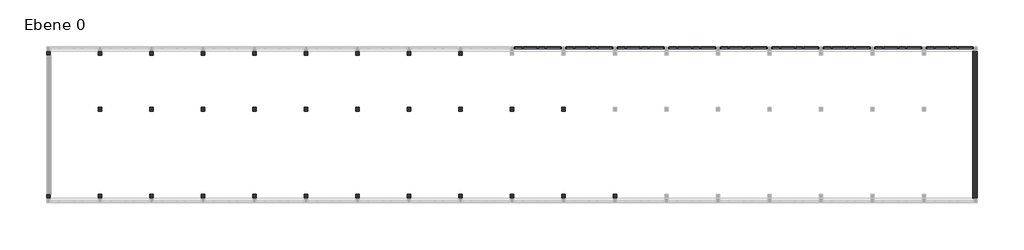
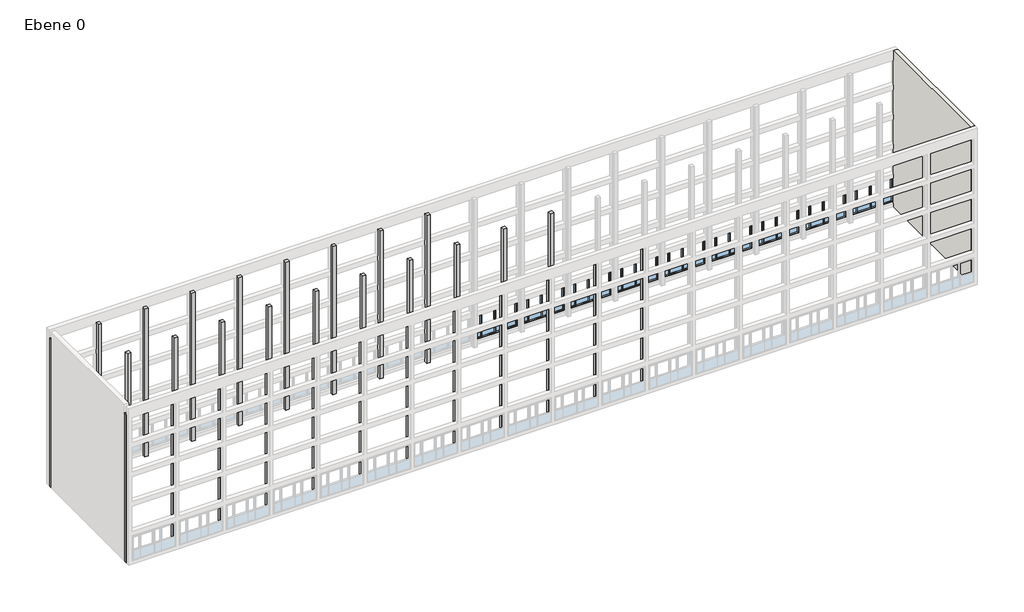
# One storey, part 3 of 4: 31 columns, 9 windows, 1 wall.
"""IFC4 building model written with IfcOpenShell, lengths in millimetres."""

import ifcopenshell
import ifcopenshell.guid

model = None  # the IFC model being written
_history = None  # IfcOwnerHistory: only IFC2X3 demands one
_inside = {}  # id of a spatial element -> (the spatial element, [elements in it])
_under = {}  # id of a project, library or spatial element -> (it, [spatial elements below it])
_declared = {}  # id of a project -> (the project, [libraries it declares])
_typed = {}  # id of a type object -> (the type object, [elements of that type])
_made_of = {}  # id of a material, layer set ... -> (it, [elements and type objects made of it])


def new_model(schema):
    """Start an empty IFC model of exactly this schema.

    Asked for "IFC4X3", IfcOpenShell would pick the latest addendum, in which some entities
    have other attributes; the version numbers below select the first issue.
    IFC2X3 requires an IfcOwnerHistory on every rooted entity: one is made here for all.
    """
    global model, _history
    if schema == "IFC4X3":
        model = ifcopenshell.file(schema_version=(4, 3, 0, 0))
    else:
        model = ifcopenshell.file(schema=schema)
    _inside.clear()
    _under.clear()
    _declared.clear()
    _typed.clear()
    _made_of.clear()
    _history = None
    if model.schema == "IFC2X3":
        org = make("IfcOrganization", Name="unknown")
        user = make(
            "IfcPersonAndOrganization",
            ThePerson=make("IfcPerson", FamilyName="unknown"),
            TheOrganization=org,
        )
        app = make(
            "IfcApplication",
            ApplicationDeveloper=org,
            Version="unknown",
            ApplicationFullName="unknown",
            ApplicationIdentifier="unknown",
        )
        _history = make(
            "IfcOwnerHistory",
            OwningUser=user,
            OwningApplication=app,
            ChangeAction="ADDED",
            CreationDate=0,
        )
    return model


def make(cls, **values):
    """One entity of the class cls with the attributes given. An attribute that is None is left unset."""
    return model.create_entity(
        cls, **{name: value for name, value in values.items() if value is not None}
    )


def rooted(cls, **values):
    """An entity with a GlobalId (a new one), such as an element, a storey or a relation."""
    return make(cls, GlobalId=ifcopenshell.guid.new(), OwnerHistory=_history, **values)


def si_unit(unit_type, name, prefix=None):
    """IfcSIUnit, for example si_unit("LENGTHUNIT", "METRE", prefix="MILLI")."""
    return make("IfcSIUnit", UnitType=unit_type, Prefix=prefix, Name=name)


def assignment(units):
    """IfcUnitAssignment: the units of a project."""
    return None if units is None else make("IfcUnitAssignment", Units=units)


def point(xyz):
    """IfcCartesianPoint."""
    return None if xyz is None else make("IfcCartesianPoint", Coordinates=xyz)


def direction(xyz):
    """IfcDirection."""
    return None if xyz is None else make("IfcDirection", DirectionRatios=xyz)


def frame(location, z_axis=None, x_axis=None):
    """IfcAxis2Placement3D, a coordinate frame: its origin and axes. An axis left out is left unset."""
    return make(
        "IfcAxis2Placement3D",
        Location=point(location),
        Axis=direction(z_axis),
        RefDirection=direction(x_axis),
    )


def origin():
    """The frame at (0, 0, 0) with its axes left unset."""
    return frame((0.0, 0.0, 0.0))


def origin_with_axes():
    """The frame at (0, 0, 0) with the z axis (0, 0, 1) and the x axis (1, 0, 0) written out."""
    return frame((0.0, 0.0, 0.0), z_axis=(0.0, 0.0, 1.0), x_axis=(1.0, 0.0, 0.0))


def place(relative_to, where):
    """IfcLocalPlacement: puts the frame where relative to a parent placement (None: the world)."""
    return make(
        "IfcLocalPlacement", PlacementRelTo=relative_to, RelativePlacement=where
    )


def context(
    kind, dimensions, precision=None, world=None, true_north=None, identifier=None
):
    """IfcGeometricRepresentationContext, for example the 3D "Model" context."""
    return make(
        "IfcGeometricRepresentationContext",
        ContextIdentifier=identifier,
        ContextType=kind,
        CoordinateSpaceDimension=dimensions,
        Precision=precision,
        WorldCoordinateSystem=world,
        TrueNorth=true_north,
    )


def project(units=None, contexts=None):
    """IfcProject with its units and contexts."""
    return rooted(
        "IfcProject",
        Name="project",
        RepresentationContexts=contexts,
        UnitsInContext=assignment(units),
    )


def spatial(cls, under=None, at=None, **own):
    """A site, building, storey or space (cls), placed at a placement, below another one or the project."""
    s = rooted(cls, ObjectPlacement=at, **own)
    if under is not None:
        _under.setdefault(under.id(), (under, []))[1].append(s)
    return s


def polyline(points):
    """IfcPolyline through the points."""
    return make("IfcPolyline", Points=[point(p) for p in points])


def outline(outer, holes=None, kind="AREA"):
    """IfcArbitraryClosedProfileDef: a profile drawn as a closed curve; with holes, ...WithVoids."""
    if holes is None:
        return make("IfcArbitraryClosedProfileDef", ProfileType=kind, OuterCurve=outer)
    return make(
        "IfcArbitraryProfileDefWithVoids",
        ProfileType=kind,
        OuterCurve=outer,
        InnerCurves=holes,
    )


def extrude(swept, where, along, depth):
    """IfcExtrudedAreaSolid: the profile swept, set in the frame where, extruded along a direction by depth."""
    return make(
        "IfcExtrudedAreaSolid",
        SweptArea=swept,
        Position=where,
        ExtrudedDirection=direction(along),
        Depth=depth,
    )


def faces_of(points, faces, orient=None, outer=None):
    """IfcFace entities. A face is a list of loops; a loop is a list of indices into points, from 0.

    orient and outer hold one flag for each loop. By default every Orientation is true, the
    first loop of a face is its IfcFaceOuterBound and the others are IfcFaceBound.
    """
    made = []
    for i, loops in enumerate(faces):
        bounds = []
        for j, loop in enumerate(loops):
            is_outer = j == 0 if outer is None else outer[i][j]
            bounds.append(
                make(
                    "IfcFaceOuterBound" if is_outer else "IfcFaceBound",
                    Bound=make("IfcPolyLoop", Polygon=[points[k] for k in loop]),
                    Orientation=True if orient is None else orient[i][j],
                )
            )
        made.append(make("IfcFace", Bounds=bounds))
    return made


def faceted_brep(points, faces, orient=None, outer=None, voids=None):
    """IfcFacetedBrep: a solid bounded by flat faces; with voids (closed shells), ...WithVoids."""
    shared = [point(p) for p in points]
    hull = make("IfcClosedShell", CfsFaces=faces_of(shared, faces, orient, outer))
    if voids is None:
        return make("IfcFacetedBrep", Outer=hull)
    return make(
        "IfcFacetedBrepWithVoids",
        Outer=hull,
        Voids=[
            make(cls, CfsFaces=faces_of(shared, fs, o, b)) for cls, fs, o, b in voids
        ],
    )


def shape(context_of_items, identifier, shape_type, items):
    """IfcShapeRepresentation: the items that make up one representation, for example the "Body"."""
    return make(
        "IfcShapeRepresentation",
        ContextOfItems=context_of_items,
        RepresentationIdentifier=identifier,
        RepresentationType=shape_type,
        Items=items,
    )


def source(mapping_origin, context_of_items, identifier, shape_type, items):
    """IfcRepresentationMap: a shape defined once, which mapped items show again and again."""
    return make(
        "IfcRepresentationMap",
        MappingOrigin=mapping_origin,
        MappedRepresentation=shape(context_of_items, identifier, shape_type, items),
    )


def transform(
    local_origin,
    x_axis=None,
    y_axis=None,
    z_axis=None,
    scale=None,
    scale2=None,
    scale3=None,
    uniform=True,
):
    """IfcCartesianTransformationOperator3D, or its non-uniform kind. x_axis, y_axis, z_axis: its Axis1, 2, 3."""
    if uniform:
        return make(
            "IfcCartesianTransformationOperator3D",
            Axis1=direction(x_axis),
            Axis2=direction(y_axis),
            LocalOrigin=point(local_origin),
            Scale=scale,
            Axis3=direction(z_axis),
        )
    return make(
        "IfcCartesianTransformationOperator3DnonUniform",
        Axis1=direction(x_axis),
        Axis2=direction(y_axis),
        LocalOrigin=point(local_origin),
        Scale=scale,
        Axis3=direction(z_axis),
        Scale2=scale2,
        Scale3=scale3,
    )


def mapped(mapping_source, mapping_target):
    """IfcMappedItem: shows the shape of a source again, moved by a transform."""
    return make(
        "IfcMappedItem", MappingSource=mapping_source, MappingTarget=mapping_target
    )


def made_of(thing, what):
    """Note that an element or type object is made of a material, layer set ...; save() writes the relation."""
    if what is not None:
        _made_of.setdefault(what.id(), (what, []))[1].append(thing)
    return thing


def element(
    cls,
    number,
    at=None,
    inside=None,
    cuts=None,
    type_object=None,
    material=None,
    context=None,
    identifier="Body",
    shape_type=None,
    held_by="IfcProductDefinitionShape",
    body=None,
    shapes=None,
    **own,
):
    """One element of the class cls, such as IfcWall. Its Tag is "e" and its number.

    at: its placement. inside: the storey or other place that contains it. cuts: it is an
    opening in that element (IfcRelVoidsElement). A single representation is given by context,
    identifier, shape_type and body (its items); several are given by shapes. held_by: the class
    of the entity that holds the representations. save() writes the other relations.
    """
    e = rooted(cls, Tag="e%d" % number, ObjectPlacement=at, **own)
    if body is not None:
        shapes = [shape(context, identifier, shape_type, body)]
    if shapes is not None:
        e.Representation = make(held_by, Representations=shapes)
    if inside is not None:
        _inside.setdefault(inside.id(), (inside, []))[1].append(e)
    if cuts is not None:
        rooted(
            "IfcRelVoidsElement", RelatingBuildingElement=cuts, RelatedOpeningElement=e
        )
    if type_object is not None:
        _typed.setdefault(type_object.id(), (type_object, []))[1].append(e)
    return made_of(e, material)


def aggregate(whole, parts):
    """IfcRelAggregates: a whole, such as a stair, and the parts it consists of."""
    return rooted("IfcRelAggregates", RelatingObject=whole, RelatedObjects=parts)


def save(model, path):
    """Write the relations noted so far, then the file.

    IfcRelAggregates (storeys below a building ...), IfcRelContainedInSpatialStructure (elements
    in a storey), IfcRelDefinesByType, IfcRelAssociatesMaterial and IfcRelDeclares: one each for
    every whole, place, type object, material and project.
    """
    for whole, parts in _under.values():
        aggregate(whole, parts)
    for where, things in _inside.values():
        rooted(
            "IfcRelContainedInSpatialStructure",
            RelatedElements=things,
            RelatingStructure=where,
        )
    for kind, things in _typed.values():
        rooted("IfcRelDefinesByType", RelatedObjects=things, RelatingType=kind)
    for what, things in _made_of.values():
        rooted("IfcRelAssociatesMaterial", RelatedObjects=things, RelatingMaterial=what)
    for by, libraries in _declared.values():
        rooted("IfcRelDeclares", RelatingContext=by, RelatedDefinitions=libraries)
    model.write(path)


def fas_con_fas_con_baa1a2ea(model_context):
    return source(origin(), model_context, "Body", "SweptSolid", [
        extrude(outline(polyline([(3850.0, -2500.0), (850.0, -2500.0), (850.0, 2500.0), (3850.0, 2500.0), (3850.0, -2500.0)]), holes=[polyline([(940.0, -900.8141783), (940.0, -2400.0), (3711.4513918, -2400.0), (3711.4513918, -900.8141783), (940.0, -900.8141783)]), polyline([(3711.4513918, 1619.1858217), (3711.4513918, 2400.0), (940.0, 2400.0), (940.0, 1619.1858217), (3711.4513918, 1619.1858217)]), polyline([(3711.4513918, 50.0), (3711.4513918, 1519.1858217), (940.0, 1519.1858217), (940.0, 50.0), (3711.4513918, 50.0)]), polyline([(3711.4513918, -800.8141783), (3711.4513918, -50.0), (940.0, -50.0), (940.0, -800.8141783), (3711.4513918, -800.8141783)])]), frame((0.0, -150.0, 0.0), z_axis=(0.0, 1.0, 0.0), x_axis=(0.0, 0.0, 1.0)), (0.0, 0.0, 1.0), 150.0),
        extrude(outline(polyline([(3711.4513918, 1619.1858217), (2078.1757493, 1619.1858217), (2078.1757493, 2400.0), (3711.4513918, 2400.0), (3711.4513918, 1619.1858217)]), holes=[polyline([(3671.4513918, 1659.1858217), (3671.4513918, 2360.0), (2118.1757493, 2360.0), (2118.1757493, 1659.1858217), (3671.4513918, 1659.1858217)])]), frame((0.0, -250.0, 0.0), z_axis=(0.0, 1.0, 0.0), x_axis=(0.0, 0.0, 1.0)), (0.0, 0.0, 1.0), 144.9012688),
        extrude(outline(polyline([(3711.4513918, 50.0), (2078.1757493, 50.0), (2078.1757493, 1519.1858217), (3711.4513918, 1519.1858217), (3711.4513918, 50.0)]), holes=[polyline([(3671.4513918, 90.0), (3671.4513918, 1479.1858217), (2118.1757493, 1479.1858217), (2118.1757493, 90.0), (3671.4513918, 90.0)])]), frame((0.0, -250.0, 0.0), z_axis=(0.0, 1.0, 0.0), x_axis=(0.0, 0.0, 1.0)), (0.0, 0.0, 1.0), 144.9012688),
        extrude(outline(polyline([(3711.4513918, -800.8141783), (2078.1757493, -800.8141783), (2078.1757493, -50.0), (3711.4513918, -50.0), (3711.4513918, -800.8141783)]), holes=[polyline([(3671.4513918, -760.8141783), (3671.4513918, -90.0), (2118.1757493, -90.0), (2118.1757493, -760.8141783), (3671.4513918, -760.8141783)])]), frame((0.0, -250.0, 0.0), z_axis=(0.0, 1.0, 0.0), x_axis=(0.0, 0.0, 1.0)), (0.0, 0.0, 1.0), 144.9012688),
        extrude(outline(polyline([(3711.4513918, -2400.0), (2078.1757493, -2400.0), (2078.1757493, -900.8141783), (3711.4513918, -900.8141783), (3711.4513918, -2400.0)]), holes=[polyline([(3671.4513918, -2360.0), (3671.4513918, -940.8141783), (2118.1757493, -940.8141783), (2118.1757493, -2360.0), (3671.4513918, -2360.0)])]), frame((0.0, -250.0, 0.0), z_axis=(0.0, 1.0, 0.0), x_axis=(0.0, 0.0, 1.0)), (0.0, 0.0, 1.0), 144.9012688),
        extrude(outline(polyline([(2400.0, -191.3956328), (2400.0, -250.0), (1619.1858217, -250.0), (1619.1858217, -191.3956328), (2400.0, -191.3956328)])), frame((0.0, 0.0, 940.0), z_axis=(0.0, 0.0, 1.0), x_axis=(1.0, 0.0, 0.0)), (0.0, 0.0, 1.0), 1138.1757493),
        extrude(outline(polyline([(1519.1858217, -191.3956328), (1519.1858217, -250.0), (50.0, -250.0), (50.0, -191.3956328), (1519.1858217, -191.3956328)])), frame((0.0, 0.0, 940.0), z_axis=(0.0, 0.0, 1.0), x_axis=(1.0, 0.0, 0.0)), (0.0, 0.0, 1.0), 1138.1757493),
        extrude(outline(polyline([(-50.0, -191.3956328), (-50.0, -250.0), (-800.8141783, -250.0), (-800.8141783, -191.3956328), (-50.0, -191.3956328)])), frame((0.0, 0.0, 940.0), z_axis=(0.0, 0.0, 1.0), x_axis=(1.0, 0.0, 0.0)), (0.0, 0.0, 1.0), 1138.1757493),
        extrude(outline(polyline([(-900.8141783, -191.3956328), (-900.8141783, -250.0), (-2400.0, -250.0), (-2400.0, -191.3956328), (-900.8141783, -191.3956328)])), frame((0.0, 0.0, 940.0), z_axis=(0.0, 0.0, 1.0), x_axis=(1.0, 0.0, 0.0)), (0.0, 0.0, 1.0), 1138.1757493),
    ])


model = new_model("IFC4")

# Units and contexts
model_context = context("Model", 3, world=origin())
ifc_project = project(units=[si_unit("LENGTHUNIT", "METRE", prefix="MILLI")], contexts=[model_context])

# Site, building, storey
site = spatial("IfcSite", under=ifc_project)
building = spatial("IfcBuilding", under=site)
storey = spatial("IfcBuildingStorey", under=building, Name="Ebene 0", Elevation=0.0)

# Columns
placement = place(None, origin())
element("IfcColumn", 1, ObjectType="STB 400 x 400", at=placement, inside=storey, context=model_context, shape_type="Brep", body=[
    faceted_brep([(200.0, 200.0, 18000.0), (-200.0, 200.0, 18000.0), (-200.0, -200.0, 18000.0), (200.0, -200.0, 18000.0), (200.0, 200.0, 0.0), (200.0, -200.0, 0.0), (-200.0, -200.0, 0.0), (-200.0, 200.0, 0.0), (200.0, -200.0, 400.0), (200.0, -200.0, 3400.0), (200.0, -200.0, 4000.0), (200.0, -200.0, 7000.0), (200.0, -200.0, 7600.0), (200.0, -200.0, 10600.0), (200.0, -200.0, 11200.0), (200.0, -200.0, 14200.0), (200.0, -200.0, 14800.0), (200.0, -200.0, 17800.0)], [[[0, 1, 2, 3]], [[4, 5, 6, 7]], [[1, 0, 4, 7]], [[2, 1, 7, 6]], [[3, 2, 6, 5, 8, 9, 10, 11, 12, 13, 14, 15, 16, 17]], [[0, 3, 17, 16, 15, 14, 13, 12, 11, 10, 9, 8, 5, 4]]]),
])
element("IfcColumn", 2, ObjectType="STB 400 x 400", at=placement, inside=storey, context=model_context, shape_type="Brep", body=[
    faceted_brep([(200.0, 15200.0, 18000.0), (-200.0, 15200.0, 18000.0), (-200.0, 14800.0, 18000.0), (200.0, 14800.0, 18000.0), (200.0, 15200.0, 0.0), (200.0, 14800.0, 0.0), (-200.0, 14800.0, 0.0), (-200.0, 15200.0, 0.0), (200.0, 15200.0, 17800.0), (200.0, 15200.0, 14800.0), (200.0, 15200.0, 14200.0), (200.0, 15200.0, 11200.0), (200.0, 15200.0, 10600.0), (200.0, 15200.0, 7600.0), (200.0, 15200.0, 7000.0), (200.0, 15200.0, 4000.0), (200.0, 15200.0, 3400.0), (200.0, 15200.0, 400.0)], [[[0, 1, 2, 3]], [[4, 5, 6, 7]], [[1, 0, 8, 9, 10, 11, 12, 13, 14, 15, 16, 17, 4, 7]], [[2, 1, 7, 6]], [[3, 2, 6, 5]], [[0, 3, 5, 4, 17, 16, 15, 14, 13, 12, 11, 10, 9, 8]]]),
])
element("IfcColumn", 3, ObjectType="STB 400 x 400", at=placement, inside=storey, context=model_context, shape_type="Brep", body=[
    faceted_brep([(5600.0, 200.0, 18000.0), (5200.0, 200.0, 18000.0), (5200.0, -200.0, 18000.0), (5600.0, -200.0, 18000.0), (5600.0, 200.0, 0.0), (5600.0, -200.0, 0.0), (5200.0, -200.0, 0.0), (5200.0, 200.0, 0.0), (5200.0, -200.0, 400.0), (5200.0, -200.0, 3400.0), (5200.0, -200.0, 4000.0), (5200.0, -200.0, 7000.0), (5200.0, -200.0, 7600.0), (5200.0, -200.0, 10600.0), (5200.0, -200.0, 11200.0), (5200.0, -200.0, 14200.0), (5200.0, -200.0, 14800.0), (5200.0, -200.0, 17800.0), (5600.0, -200.0, 400.0), (5600.0, -200.0, 3400.0), (5600.0, -200.0, 4000.0), (5600.0, -200.0, 7000.0), (5600.0, -200.0, 7600.0), (5600.0, -200.0, 10600.0), (5600.0, -200.0, 11200.0), (5600.0, -200.0, 14200.0), (5600.0, -200.0, 14800.0), (5600.0, -200.0, 17800.0)], [[[0, 1, 2, 3]], [[4, 5, 6, 7]], [[1, 0, 4, 7]], [[2, 1, 7, 6, 8, 9, 10, 11, 12, 13, 14, 15, 16, 17]], [[3, 2, 17, 16, 15, 14, 13, 12, 11, 10, 9, 8, 6, 5, 18, 19, 20, 21, 22, 23, 24, 25, 26, 27]], [[0, 3, 27, 26, 25, 24, 23, 22, 21, 20, 19, 18, 5, 4]]]),
])
element("IfcColumn", 4, ObjectType="STB 400 x 400", at=placement, inside=storey, context=model_context, shape_type="Brep", body=[
    faceted_brep([(5600.0, 15200.0, 18000.0), (5200.0, 15200.0, 18000.0), (5200.0, 14800.0, 18000.0), (5600.0, 14800.0, 18000.0), (5600.0, 15200.0, 0.0), (5600.0, 14800.0, 0.0), (5200.0, 14800.0, 0.0), (5200.0, 15200.0, 0.0), (5600.0, 15200.0, 17800.0), (5600.0, 15200.0, 14800.0), (5600.0, 15200.0, 14200.0), (5600.0, 15200.0, 11200.0), (5600.0, 15200.0, 10600.0), (5600.0, 15200.0, 7600.0), (5600.0, 15200.0, 7000.0), (5600.0, 15200.0, 4000.0), (5600.0, 15200.0, 3400.0), (5600.0, 15200.0, 400.0), (5200.0, 15200.0, 400.0), (5200.0, 15200.0, 3400.0), (5200.0, 15200.0, 4000.0), (5200.0, 15200.0, 7000.0), (5200.0, 15200.0, 7600.0), (5200.0, 15200.0, 10600.0), (5200.0, 15200.0, 11200.0), (5200.0, 15200.0, 14200.0), (5200.0, 15200.0, 14800.0), (5200.0, 15200.0, 17800.0)], [[[0, 1, 2, 3]], [[4, 5, 6, 7]], [[1, 0, 8, 9, 10, 11, 12, 13, 14, 15, 16, 17, 4, 7, 18, 19, 20, 21, 22, 23, 24, 25, 26, 27]], [[2, 1, 27, 26, 25, 24, 23, 22, 21, 20, 19, 18, 7, 6]], [[3, 2, 6, 5]], [[0, 3, 5, 4, 17, 16, 15, 14, 13, 12, 11, 10, 9, 8]]]),
])
element("IfcColumn", 5, ObjectType="STB 400 x 400", at=placement, inside=storey, context=model_context, shape_type="Brep", body=[
    faceted_brep([(11000.0, 200.0, 18000.0), (10600.0, 200.0, 18000.0), (10600.0, -200.0, 18000.0), (11000.0, -200.0, 18000.0), (11000.0, 200.0, 0.0), (11000.0, -200.0, 0.0), (10600.0, -200.0, 0.0), (10600.0, 200.0, 0.0), (10600.0, -200.0, 400.0), (10600.0, -200.0, 3400.0), (10600.0, -200.0, 4000.0), (10600.0, -200.0, 7000.0), (10600.0, -200.0, 7600.0), (10600.0, -200.0, 10600.0), (10600.0, -200.0, 11200.0), (10600.0, -200.0, 14200.0), (10600.0, -200.0, 14800.0), (10600.0, -200.0, 17800.0), (11000.0, -200.0, 400.0), (11000.0, -200.0, 3400.0), (11000.0, -200.0, 4000.0), (11000.0, -200.0, 7000.0), (11000.0, -200.0, 7600.0), (11000.0, -200.0, 10600.0), (11000.0, -200.0, 11200.0), (11000.0, -200.0, 14200.0), (11000.0, -200.0, 14800.0), (11000.0, -200.0, 17800.0)], [[[0, 1, 2, 3]], [[4, 5, 6, 7]], [[1, 0, 4, 7]], [[2, 1, 7, 6, 8, 9, 10, 11, 12, 13, 14, 15, 16, 17]], [[3, 2, 17, 16, 15, 14, 13, 12, 11, 10, 9, 8, 6, 5, 18, 19, 20, 21, 22, 23, 24, 25, 26, 27]], [[0, 3, 27, 26, 25, 24, 23, 22, 21, 20, 19, 18, 5, 4]]]),
])
element("IfcColumn", 6, ObjectType="STB 400 x 400", at=placement, inside=storey, context=model_context, shape_type="Brep", body=[
    faceted_brep([(11000.0, 15200.0, 18000.0), (10600.0, 15200.0, 18000.0), (10600.0, 14800.0, 18000.0), (11000.0, 14800.0, 18000.0), (11000.0, 15200.0, 0.0), (11000.0, 14800.0, 0.0), (10600.0, 14800.0, 0.0), (10600.0, 15200.0, 0.0), (11000.0, 15200.0, 17800.0), (11000.0, 15200.0, 14800.0), (11000.0, 15200.0, 14200.0), (11000.0, 15200.0, 11200.0), (11000.0, 15200.0, 10600.0), (11000.0, 15200.0, 7600.0), (11000.0, 15200.0, 7000.0), (11000.0, 15200.0, 4000.0), (11000.0, 15200.0, 3400.0), (11000.0, 15200.0, 400.0), (10600.0, 15200.0, 400.0), (10600.0, 15200.0, 3400.0), (10600.0, 15200.0, 4000.0), (10600.0, 15200.0, 7000.0), (10600.0, 15200.0, 7600.0), (10600.0, 15200.0, 10600.0), (10600.0, 15200.0, 11200.0), (10600.0, 15200.0, 14200.0), (10600.0, 15200.0, 14800.0), (10600.0, 15200.0, 17800.0)], [[[0, 1, 2, 3]], [[4, 5, 6, 7]], [[1, 0, 8, 9, 10, 11, 12, 13, 14, 15, 16, 17, 4, 7, 18, 19, 20, 21, 22, 23, 24, 25, 26, 27]], [[2, 1, 27, 26, 25, 24, 23, 22, 21, 20, 19, 18, 7, 6]], [[3, 2, 6, 5]], [[0, 3, 5, 4, 17, 16, 15, 14, 13, 12, 11, 10, 9, 8]]]),
])
element("IfcColumn", 7, ObjectType="STB 400 x 400", at=placement, inside=storey, context=model_context, shape_type="Brep", body=[
    faceted_brep([(16400.0, 200.0, 18000.0), (16000.0, 200.0, 18000.0), (16000.0, -200.0, 18000.0), (16400.0, -200.0, 18000.0), (16400.0, 200.0, 0.0), (16400.0, -200.0, 0.0), (16000.0, -200.0, 0.0), (16000.0, 200.0, 0.0), (16000.0, -200.0, 400.0), (16000.0, -200.0, 3400.0), (16000.0, -200.0, 4000.0), (16000.0, -200.0, 7000.0), (16000.0, -200.0, 7600.0), (16000.0, -200.0, 10600.0), (16000.0, -200.0, 11200.0), (16000.0, -200.0, 14200.0), (16000.0, -200.0, 14800.0), (16000.0, -200.0, 17800.0), (16400.0, -200.0, 400.0), (16400.0, -200.0, 3400.0), (16400.0, -200.0, 4000.0), (16400.0, -200.0, 7000.0), (16400.0, -200.0, 7600.0), (16400.0, -200.0, 10600.0), (16400.0, -200.0, 11200.0), (16400.0, -200.0, 14200.0), (16400.0, -200.0, 14800.0), (16400.0, -200.0, 17800.0)], [[[0, 1, 2, 3]], [[4, 5, 6, 7]], [[1, 0, 4, 7]], [[2, 1, 7, 6, 8, 9, 10, 11, 12, 13, 14, 15, 16, 17]], [[3, 2, 17, 16, 15, 14, 13, 12, 11, 10, 9, 8, 6, 5, 18, 19, 20, 21, 22, 23, 24, 25, 26, 27]], [[0, 3, 27, 26, 25, 24, 23, 22, 21, 20, 19, 18, 5, 4]]]),
])
element("IfcColumn", 8, ObjectType="STB 400 x 400", at=placement, inside=storey, context=model_context, shape_type="Brep", body=[
    faceted_brep([(16400.0, 15200.0, 18000.0), (16000.0, 15200.0, 18000.0), (16000.0, 14800.0, 18000.0), (16400.0, 14800.0, 18000.0), (16400.0, 15200.0, 0.0), (16400.0, 14800.0, 0.0), (16000.0, 14800.0, 0.0), (16000.0, 15200.0, 0.0), (16400.0, 15200.0, 17800.0), (16400.0, 15200.0, 14800.0), (16400.0, 15200.0, 14200.0), (16400.0, 15200.0, 11200.0), (16400.0, 15200.0, 10600.0), (16400.0, 15200.0, 7600.0), (16400.0, 15200.0, 7000.0), (16400.0, 15200.0, 4000.0), (16400.0, 15200.0, 3400.0), (16400.0, 15200.0, 400.0), (16000.0, 15200.0, 400.0), (16000.0, 15200.0, 3400.0), (16000.0, 15200.0, 4000.0), (16000.0, 15200.0, 7000.0), (16000.0, 15200.0, 7600.0), (16000.0, 15200.0, 10600.0), (16000.0, 15200.0, 11200.0), (16000.0, 15200.0, 14200.0), (16000.0, 15200.0, 14800.0), (16000.0, 15200.0, 17800.0)], [[[0, 1, 2, 3]], [[4, 5, 6, 7]], [[1, 0, 8, 9, 10, 11, 12, 13, 14, 15, 16, 17, 4, 7, 18, 19, 20, 21, 22, 23, 24, 25, 26, 27]], [[2, 1, 27, 26, 25, 24, 23, 22, 21, 20, 19, 18, 7, 6]], [[3, 2, 6, 5]], [[0, 3, 5, 4, 17, 16, 15, 14, 13, 12, 11, 10, 9, 8]]]),
])
element("IfcColumn", 9, ObjectType="STB 400 x 400", at=placement, inside=storey, context=model_context, shape_type="Brep", body=[
    faceted_brep([(21800.0, 200.0, 18000.0), (21400.0, 200.0, 18000.0), (21400.0, -200.0, 18000.0), (21800.0, -200.0, 18000.0), (21800.0, 200.0, 0.0), (21800.0, -200.0, 0.0), (21400.0, -200.0, 0.0), (21400.0, 200.0, 0.0), (21400.0, -200.0, 400.0), (21400.0, -200.0, 3400.0), (21400.0, -200.0, 4000.0), (21400.0, -200.0, 7000.0), (21400.0, -200.0, 7600.0), (21400.0, -200.0, 10600.0), (21400.0, -200.0, 11200.0), (21400.0, -200.0, 14200.0), (21400.0, -200.0, 14800.0), (21400.0, -200.0, 17800.0), (21800.0, -200.0, 400.0), (21800.0, -200.0, 3400.0), (21800.0, -200.0, 4000.0), (21800.0, -200.0, 7000.0), (21800.0, -200.0, 7600.0), (21800.0, -200.0, 10600.0), (21800.0, -200.0, 11200.0), (21800.0, -200.0, 14200.0), (21800.0, -200.0, 14800.0), (21800.0, -200.0, 17800.0)], [[[0, 1, 2, 3]], [[4, 5, 6, 7]], [[1, 0, 4, 7]], [[2, 1, 7, 6, 8, 9, 10, 11, 12, 13, 14, 15, 16, 17]], [[3, 2, 17, 16, 15, 14, 13, 12, 11, 10, 9, 8, 6, 5, 18, 19, 20, 21, 22, 23, 24, 25, 26, 27]], [[0, 3, 27, 26, 25, 24, 23, 22, 21, 20, 19, 18, 5, 4]]]),
])
element("IfcColumn", 10, ObjectType="STB 400 x 400", at=placement, inside=storey, context=model_context, shape_type="Brep", body=[
    faceted_brep([(21800.0, 15200.0, 18000.0), (21400.0, 15200.0, 18000.0), (21400.0, 14800.0, 18000.0), (21800.0, 14800.0, 18000.0), (21800.0, 15200.0, 0.0), (21800.0, 14800.0, 0.0), (21400.0, 14800.0, 0.0), (21400.0, 15200.0, 0.0), (21800.0, 15200.0, 17800.0), (21800.0, 15200.0, 14800.0), (21800.0, 15200.0, 14200.0), (21800.0, 15200.0, 11200.0), (21800.0, 15200.0, 10600.0), (21800.0, 15200.0, 7600.0), (21800.0, 15200.0, 7000.0), (21800.0, 15200.0, 4000.0), (21800.0, 15200.0, 3400.0), (21800.0, 15200.0, 400.0), (21400.0, 15200.0, 400.0), (21400.0, 15200.0, 3400.0), (21400.0, 15200.0, 4000.0), (21400.0, 15200.0, 7000.0), (21400.0, 15200.0, 7600.0), (21400.0, 15200.0, 10600.0), (21400.0, 15200.0, 11200.0), (21400.0, 15200.0, 14200.0), (21400.0, 15200.0, 14800.0), (21400.0, 15200.0, 17800.0)], [[[0, 1, 2, 3]], [[4, 5, 6, 7]], [[1, 0, 8, 9, 10, 11, 12, 13, 14, 15, 16, 17, 4, 7, 18, 19, 20, 21, 22, 23, 24, 25, 26, 27]], [[2, 1, 27, 26, 25, 24, 23, 22, 21, 20, 19, 18, 7, 6]], [[3, 2, 6, 5]], [[0, 3, 5, 4, 17, 16, 15, 14, 13, 12, 11, 10, 9, 8]]]),
])
element("IfcColumn", 11, ObjectType="STB 400 x 400", at=placement, inside=storey, context=model_context, shape_type="Brep", body=[
    faceted_brep([(27200.0, 200.0, 18000.0), (26800.0, 200.0, 18000.0), (26800.0, -200.0, 18000.0), (27200.0, -200.0, 18000.0), (27200.0, 200.0, 0.0), (27200.0, -200.0, 0.0), (26800.0, -200.0, 0.0), (26800.0, 200.0, 0.0), (26800.0, -200.0, 400.0), (26800.0, -200.0, 3400.0), (26800.0, -200.0, 4000.0), (26800.0, -200.0, 7000.0), (26800.0, -200.0, 7600.0), (26800.0, -200.0, 10600.0), (26800.0, -200.0, 11200.0), (26800.0, -200.0, 14200.0), (26800.0, -200.0, 14800.0), (26800.0, -200.0, 17800.0), (27200.0, -200.0, 400.0), (27200.0, -200.0, 3400.0), (27200.0, -200.0, 4000.0), (27200.0, -200.0, 7000.0), (27200.0, -200.0, 7600.0), (27200.0, -200.0, 10600.0), (27200.0, -200.0, 11200.0), (27200.0, -200.0, 14200.0), (27200.0, -200.0, 14800.0), (27200.0, -200.0, 17800.0)], [[[0, 1, 2, 3]], [[4, 5, 6, 7]], [[1, 0, 4, 7]], [[2, 1, 7, 6, 8, 9, 10, 11, 12, 13, 14, 15, 16, 17]], [[3, 2, 17, 16, 15, 14, 13, 12, 11, 10, 9, 8, 6, 5, 18, 19, 20, 21, 22, 23, 24, 25, 26, 27]], [[0, 3, 27, 26, 25, 24, 23, 22, 21, 20, 19, 18, 5, 4]]]),
])
element("IfcColumn", 12, ObjectType="STB 400 x 400", at=placement, inside=storey, context=model_context, shape_type="Brep", body=[
    faceted_brep([(27200.0, 15200.0, 18000.0), (26800.0, 15200.0, 18000.0), (26800.0, 14800.0, 18000.0), (27200.0, 14800.0, 18000.0), (27200.0, 15200.0, 0.0), (27200.0, 14800.0, 0.0), (26800.0, 14800.0, 0.0), (26800.0, 15200.0, 0.0), (27200.0, 15200.0, 17800.0), (27200.0, 15200.0, 14800.0), (27200.0, 15200.0, 14200.0), (27200.0, 15200.0, 11200.0), (27200.0, 15200.0, 10600.0), (27200.0, 15200.0, 7600.0), (27200.0, 15200.0, 7000.0), (27200.0, 15200.0, 4000.0), (27200.0, 15200.0, 3400.0), (27200.0, 15200.0, 400.0), (26800.0, 15200.0, 400.0), (26800.0, 15200.0, 3400.0), (26800.0, 15200.0, 4000.0), (26800.0, 15200.0, 7000.0), (26800.0, 15200.0, 7600.0), (26800.0, 15200.0, 10600.0), (26800.0, 15200.0, 11200.0), (26800.0, 15200.0, 14200.0), (26800.0, 15200.0, 14800.0), (26800.0, 15200.0, 17800.0)], [[[0, 1, 2, 3]], [[4, 5, 6, 7]], [[1, 0, 8, 9, 10, 11, 12, 13, 14, 15, 16, 17, 4, 7, 18, 19, 20, 21, 22, 23, 24, 25, 26, 27]], [[2, 1, 27, 26, 25, 24, 23, 22, 21, 20, 19, 18, 7, 6]], [[3, 2, 6, 5]], [[0, 3, 5, 4, 17, 16, 15, 14, 13, 12, 11, 10, 9, 8]]]),
])
element("IfcColumn", 13, ObjectType="STB 400 x 400", at=placement, inside=storey, context=model_context, shape_type="Brep", body=[
    faceted_brep([(32600.0, 200.0, 18000.0), (32200.0, 200.0, 18000.0), (32200.0, -200.0, 18000.0), (32600.0, -200.0, 18000.0), (32600.0, 200.0, 0.0), (32600.0, -200.0, 0.0), (32200.0, -200.0, 0.0), (32200.0, 200.0, 0.0), (32200.0, -200.0, 400.0), (32200.0, -200.0, 3400.0), (32200.0, -200.0, 4000.0), (32200.0, -200.0, 7000.0), (32200.0, -200.0, 7600.0), (32200.0, -200.0, 10600.0), (32200.0, -200.0, 11200.0), (32200.0, -200.0, 14200.0), (32200.0, -200.0, 14800.0), (32200.0, -200.0, 17800.0), (32600.0, -200.0, 400.0), (32600.0, -200.0, 3400.0), (32600.0, -200.0, 4000.0), (32600.0, -200.0, 7000.0), (32600.0, -200.0, 7600.0), (32600.0, -200.0, 10600.0), (32600.0, -200.0, 11200.0), (32600.0, -200.0, 14200.0), (32600.0, -200.0, 14800.0), (32600.0, -200.0, 17800.0)], [[[0, 1, 2, 3]], [[4, 5, 6, 7]], [[1, 0, 4, 7]], [[2, 1, 7, 6, 8, 9, 10, 11, 12, 13, 14, 15, 16, 17]], [[3, 2, 17, 16, 15, 14, 13, 12, 11, 10, 9, 8, 6, 5, 18, 19, 20, 21, 22, 23, 24, 25, 26, 27]], [[0, 3, 27, 26, 25, 24, 23, 22, 21, 20, 19, 18, 5, 4]]]),
])
element("IfcColumn", 14, ObjectType="STB 400 x 400", at=placement, inside=storey, context=model_context, shape_type="Brep", body=[
    faceted_brep([(32600.0, 15200.0, 18000.0), (32200.0, 15200.0, 18000.0), (32200.0, 14800.0, 18000.0), (32600.0, 14800.0, 18000.0), (32600.0, 15200.0, 0.0), (32600.0, 14800.0, 0.0), (32200.0, 14800.0, 0.0), (32200.0, 15200.0, 0.0), (32600.0, 15200.0, 17800.0), (32600.0, 15200.0, 14800.0), (32600.0, 15200.0, 14200.0), (32600.0, 15200.0, 11200.0), (32600.0, 15200.0, 10600.0), (32600.0, 15200.0, 7600.0), (32600.0, 15200.0, 7000.0), (32600.0, 15200.0, 4000.0), (32600.0, 15200.0, 3400.0), (32600.0, 15200.0, 400.0), (32200.0, 15200.0, 400.0), (32200.0, 15200.0, 3400.0), (32200.0, 15200.0, 4000.0), (32200.0, 15200.0, 7000.0), (32200.0, 15200.0, 7600.0), (32200.0, 15200.0, 10600.0), (32200.0, 15200.0, 11200.0), (32200.0, 15200.0, 14200.0), (32200.0, 15200.0, 14800.0), (32200.0, 15200.0, 17800.0)], [[[0, 1, 2, 3]], [[4, 5, 6, 7]], [[1, 0, 8, 9, 10, 11, 12, 13, 14, 15, 16, 17, 4, 7, 18, 19, 20, 21, 22, 23, 24, 25, 26, 27]], [[2, 1, 27, 26, 25, 24, 23, 22, 21, 20, 19, 18, 7, 6]], [[3, 2, 6, 5]], [[0, 3, 5, 4, 17, 16, 15, 14, 13, 12, 11, 10, 9, 8]]]),
])
element("IfcColumn", 15, ObjectType="STB 400 x 400", at=placement, inside=storey, context=model_context, shape_type="Brep", body=[
    faceted_brep([(38000.0, 200.0, 18000.0), (37600.0, 200.0, 18000.0), (37600.0, -200.0, 18000.0), (38000.0, -200.0, 18000.0), (38000.0, 200.0, 0.0), (38000.0, -200.0, 0.0), (37600.0, -200.0, 0.0), (37600.0, 200.0, 0.0), (37600.0, -200.0, 400.0), (37600.0, -200.0, 3400.0), (37600.0, -200.0, 4000.0), (37600.0, -200.0, 7000.0), (37600.0, -200.0, 7600.0), (37600.0, -200.0, 10600.0), (37600.0, -200.0, 11200.0), (37600.0, -200.0, 14200.0), (37600.0, -200.0, 14800.0), (37600.0, -200.0, 17800.0), (38000.0, -200.0, 400.0), (38000.0, -200.0, 3400.0), (38000.0, -200.0, 4000.0), (38000.0, -200.0, 7000.0), (38000.0, -200.0, 7600.0), (38000.0, -200.0, 10600.0), (38000.0, -200.0, 11200.0), (38000.0, -200.0, 14200.0), (38000.0, -200.0, 14800.0), (38000.0, -200.0, 17800.0)], [[[0, 1, 2, 3]], [[4, 5, 6, 7]], [[1, 0, 4, 7]], [[2, 1, 7, 6, 8, 9, 10, 11, 12, 13, 14, 15, 16, 17]], [[3, 2, 17, 16, 15, 14, 13, 12, 11, 10, 9, 8, 6, 5, 18, 19, 20, 21, 22, 23, 24, 25, 26, 27]], [[0, 3, 27, 26, 25, 24, 23, 22, 21, 20, 19, 18, 5, 4]]]),
])
element("IfcColumn", 16, ObjectType="STB 400 x 400", at=placement, inside=storey, context=model_context, shape_type="Brep", body=[
    faceted_brep([(38000.0, 15200.0, 18000.0), (37600.0, 15200.0, 18000.0), (37600.0, 14800.0, 18000.0), (38000.0, 14800.0, 18000.0), (38000.0, 15200.0, 0.0), (38000.0, 14800.0, 0.0), (37600.0, 14800.0, 0.0), (37600.0, 15200.0, 0.0), (38000.0, 15200.0, 17800.0), (38000.0, 15200.0, 14800.0), (38000.0, 15200.0, 14200.0), (38000.0, 15200.0, 11200.0), (38000.0, 15200.0, 10600.0), (38000.0, 15200.0, 7600.0), (38000.0, 15200.0, 7000.0), (38000.0, 15200.0, 4000.0), (38000.0, 15200.0, 3400.0), (38000.0, 15200.0, 400.0), (37600.0, 15200.0, 400.0), (37600.0, 15200.0, 3400.0), (37600.0, 15200.0, 4000.0), (37600.0, 15200.0, 7000.0), (37600.0, 15200.0, 7600.0), (37600.0, 15200.0, 10600.0), (37600.0, 15200.0, 11200.0), (37600.0, 15200.0, 14200.0), (37600.0, 15200.0, 14800.0), (37600.0, 15200.0, 17800.0)], [[[0, 1, 2, 3]], [[4, 5, 6, 7]], [[1, 0, 8, 9, 10, 11, 12, 13, 14, 15, 16, 17, 4, 7, 18, 19, 20, 21, 22, 23, 24, 25, 26, 27]], [[2, 1, 27, 26, 25, 24, 23, 22, 21, 20, 19, 18, 7, 6]], [[3, 2, 6, 5]], [[0, 3, 5, 4, 17, 16, 15, 14, 13, 12, 11, 10, 9, 8]]]),
])
element("IfcColumn", 17, ObjectType="STB 400 x 400", at=placement, inside=storey, context=model_context, shape_type="Brep", body=[
    faceted_brep([(43400.0, 200.0, 18000.0), (43000.0, 200.0, 18000.0), (43000.0, -200.0, 18000.0), (43400.0, -200.0, 18000.0), (43400.0, 200.0, 0.0), (43400.0, -200.0, 0.0), (43000.0, -200.0, 0.0), (43000.0, 200.0, 0.0), (43000.0, -200.0, 400.0), (43000.0, -200.0, 3400.0), (43000.0, -200.0, 4000.0), (43000.0, -200.0, 7000.0), (43000.0, -200.0, 7600.0), (43000.0, -200.0, 10600.0), (43000.0, -200.0, 11200.0), (43000.0, -200.0, 14200.0), (43000.0, -200.0, 14800.0), (43000.0, -200.0, 17800.0), (43400.0, -200.0, 400.0), (43400.0, -200.0, 3400.0), (43400.0, -200.0, 4000.0), (43400.0, -200.0, 7000.0), (43400.0, -200.0, 7600.0), (43400.0, -200.0, 10600.0), (43400.0, -200.0, 11200.0), (43400.0, -200.0, 14200.0), (43400.0, -200.0, 14800.0), (43400.0, -200.0, 17800.0)], [[[0, 1, 2, 3]], [[4, 5, 6, 7]], [[1, 0, 4, 7]], [[2, 1, 7, 6, 8, 9, 10, 11, 12, 13, 14, 15, 16, 17]], [[3, 2, 17, 16, 15, 14, 13, 12, 11, 10, 9, 8, 6, 5, 18, 19, 20, 21, 22, 23, 24, 25, 26, 27]], [[0, 3, 27, 26, 25, 24, 23, 22, 21, 20, 19, 18, 5, 4]]]),
])
element("IfcColumn", 18, ObjectType="STB 400 x 400", at=placement, inside=storey, context=model_context, shape_type="Brep", body=[
    faceted_brep([(43400.0, 15200.0, 18000.0), (43000.0, 15200.0, 18000.0), (43000.0, 14800.0, 18000.0), (43400.0, 14800.0, 18000.0), (43400.0, 15200.0, 0.0), (43400.0, 14800.0, 0.0), (43000.0, 14800.0, 0.0), (43000.0, 15200.0, 0.0), (43400.0, 15200.0, 17800.0), (43400.0, 15200.0, 14800.0), (43400.0, 15200.0, 14200.0), (43400.0, 15200.0, 11200.0), (43400.0, 15200.0, 10600.0), (43400.0, 15200.0, 7600.0), (43400.0, 15200.0, 7000.0), (43400.0, 15200.0, 4000.0), (43400.0, 15200.0, 3400.0), (43400.0, 15200.0, 400.0), (43000.0, 15200.0, 400.0), (43000.0, 15200.0, 3400.0), (43000.0, 15200.0, 4000.0), (43000.0, 15200.0, 7000.0), (43000.0, 15200.0, 7600.0), (43000.0, 15200.0, 10600.0), (43000.0, 15200.0, 11200.0), (43000.0, 15200.0, 14200.0), (43000.0, 15200.0, 14800.0), (43000.0, 15200.0, 17800.0)], [[[0, 1, 2, 3]], [[4, 5, 6, 7]], [[1, 0, 8, 9, 10, 11, 12, 13, 14, 15, 16, 17, 4, 7, 18, 19, 20, 21, 22, 23, 24, 25, 26, 27]], [[2, 1, 27, 26, 25, 24, 23, 22, 21, 20, 19, 18, 7, 6]], [[3, 2, 6, 5]], [[0, 3, 5, 4, 17, 16, 15, 14, 13, 12, 11, 10, 9, 8]]]),
])
element("IfcColumn", 19, ObjectType="STB 400 x 400", at=placement, inside=storey, context=model_context, shape_type="Brep", body=[
    faceted_brep([(48800.0, 200.0, 18000.0), (48400.0, 200.0, 18000.0), (48400.0, -200.0, 18000.0), (48800.0, -200.0, 18000.0), (48800.0, 200.0, 0.0), (48800.0, -200.0, 0.0), (48400.0, -200.0, 0.0), (48400.0, 200.0, 0.0), (48400.0, -200.0, 400.0), (48400.0, -200.0, 3400.0), (48400.0, -200.0, 4000.0), (48400.0, -200.0, 7000.0), (48400.0, -200.0, 7600.0), (48400.0, -200.0, 10600.0), (48400.0, -200.0, 11200.0), (48400.0, -200.0, 14200.0), (48400.0, -200.0, 14800.0), (48400.0, -200.0, 17800.0), (48800.0, -200.0, 400.0), (48800.0, -200.0, 3400.0), (48800.0, -200.0, 4000.0), (48800.0, -200.0, 7000.0), (48800.0, -200.0, 7600.0), (48800.0, -200.0, 10600.0), (48800.0, -200.0, 11200.0), (48800.0, -200.0, 14200.0), (48800.0, -200.0, 14800.0), (48800.0, -200.0, 17800.0)], [[[0, 1, 2, 3]], [[4, 5, 6, 7]], [[1, 0, 4, 7]], [[2, 1, 7, 6, 8, 9, 10, 11, 12, 13, 14, 15, 16, 17]], [[3, 2, 17, 16, 15, 14, 13, 12, 11, 10, 9, 8, 6, 5, 18, 19, 20, 21, 22, 23, 24, 25, 26, 27]], [[0, 3, 27, 26, 25, 24, 23, 22, 21, 20, 19, 18, 5, 4]]]),
])
element("IfcColumn", 20, ObjectType="STB 400 x 400", at=placement, inside=storey, context=model_context, shape_type="Brep", body=[
    faceted_brep([(54200.0, 200.0, 18000.0), (53800.0, 200.0, 18000.0), (53800.0, -200.0, 18000.0), (54200.0, -200.0, 18000.0), (54200.0, 200.0, 0.0), (54200.0, -200.0, 0.0), (53800.0, -200.0, 0.0), (53800.0, 200.0, 0.0), (53800.0, -200.0, 400.0), (53800.0, -200.0, 3400.0), (53800.0, -200.0, 4000.0), (53800.0, -200.0, 7000.0), (53800.0, -200.0, 7600.0), (53800.0, -200.0, 10600.0), (53800.0, -200.0, 11200.0), (53800.0, -200.0, 14200.0), (53800.0, -200.0, 14800.0), (53800.0, -200.0, 17800.0), (54200.0, -200.0, 400.0), (54200.0, -200.0, 3400.0), (54200.0, -200.0, 4000.0), (54200.0, -200.0, 7000.0), (54200.0, -200.0, 7600.0), (54200.0, -200.0, 10600.0), (54200.0, -200.0, 11200.0), (54200.0, -200.0, 14200.0), (54200.0, -200.0, 14800.0), (54200.0, -200.0, 17800.0)], [[[0, 1, 2, 3]], [[4, 5, 6, 7]], [[1, 0, 4, 7]], [[2, 1, 7, 6, 8, 9, 10, 11, 12, 13, 14, 15, 16, 17]], [[3, 2, 17, 16, 15, 14, 13, 12, 11, 10, 9, 8, 6, 5, 18, 19, 20, 21, 22, 23, 24, 25, 26, 27]], [[0, 3, 27, 26, 25, 24, 23, 22, 21, 20, 19, 18, 5, 4]]]),
])
element("IfcColumn", 21, ObjectType="STB 400 x 400", at=placement, inside=storey, context=model_context, shape_type="Brep", body=[
    faceted_brep([(59600.0, 200.0, 18000.0), (59200.0, 200.0, 18000.0), (59200.0, -200.0, 18000.0), (59600.0, -200.0, 18000.0), (59600.0, 200.0, 0.0), (59600.0, -200.0, 0.0), (59200.0, -200.0, 0.0), (59200.0, 200.0, 0.0), (59200.0, -200.0, 400.0), (59200.0, -200.0, 3400.0), (59200.0, -200.0, 4000.0), (59200.0, -200.0, 7000.0), (59200.0, -200.0, 7600.0), (59200.0, -200.0, 10600.0), (59200.0, -200.0, 11200.0), (59200.0, -200.0, 14200.0), (59200.0, -200.0, 14800.0), (59200.0, -200.0, 17800.0), (59600.0, -200.0, 400.0), (59600.0, -200.0, 3400.0), (59600.0, -200.0, 4000.0), (59600.0, -200.0, 7000.0), (59600.0, -200.0, 7600.0), (59600.0, -200.0, 10600.0), (59600.0, -200.0, 11200.0), (59600.0, -200.0, 14200.0), (59600.0, -200.0, 14800.0), (59600.0, -200.0, 17800.0)], [[[0, 1, 2, 3]], [[4, 5, 6, 7]], [[1, 0, 4, 7]], [[2, 1, 7, 6, 8, 9, 10, 11, 12, 13, 14, 15, 16, 17]], [[3, 2, 17, 16, 15, 14, 13, 12, 11, 10, 9, 8, 6, 5, 18, 19, 20, 21, 22, 23, 24, 25, 26, 27]], [[0, 3, 27, 26, 25, 24, 23, 22, 21, 20, 19, 18, 5, 4]]]),
])
element("IfcColumn", 22, ObjectType="STB 400 x 400", at=placement, inside=storey, context=model_context, shape_type="SweptSolid", body=[
    extrude(outline(polyline([(5600.0, 9325.0), (5600.0, 8925.0), (5200.0, 8925.0), (5200.0, 9325.0), (5600.0, 9325.0)])), origin_with_axes(), (0.0, 0.0, 1.0), 18000.0),
])
element("IfcColumn", 23, ObjectType="STB 400 x 400", at=placement, inside=storey, context=model_context, shape_type="SweptSolid", body=[
    extrude(outline(polyline([(11000.0, 9325.0), (11000.0, 8925.0), (10600.0, 8925.0), (10600.0, 9325.0), (11000.0, 9325.0)])), origin_with_axes(), (0.0, 0.0, 1.0), 18000.0),
])
element("IfcColumn", 24, ObjectType="STB 400 x 400", at=placement, inside=storey, context=model_context, shape_type="SweptSolid", body=[
    extrude(outline(polyline([(16400.0, 9325.0), (16400.0, 8925.0), (16000.0, 8925.0), (16000.0, 9325.0), (16400.0, 9325.0)])), origin_with_axes(), (0.0, 0.0, 1.0), 18000.0),
])
element("IfcColumn", 25, ObjectType="STB 400 x 400", at=placement, inside=storey, context=model_context, shape_type="SweptSolid", body=[
    extrude(outline(polyline([(21800.0, 9325.0), (21800.0, 8925.0), (21400.0, 8925.0), (21400.0, 9325.0), (21800.0, 9325.0)])), origin_with_axes(), (0.0, 0.0, 1.0), 18000.0),
])
element("IfcColumn", 26, ObjectType="STB 400 x 400", at=placement, inside=storey, context=model_context, shape_type="SweptSolid", body=[
    extrude(outline(polyline([(27200.0, 9325.0), (27200.0, 8925.0), (26800.0, 8925.0), (26800.0, 9325.0), (27200.0, 9325.0)])), origin_with_axes(), (0.0, 0.0, 1.0), 18000.0),
])
element("IfcColumn", 27, ObjectType="STB 400 x 400", at=placement, inside=storey, context=model_context, shape_type="SweptSolid", body=[
    extrude(outline(polyline([(32600.0, 9325.0), (32600.0, 8925.0), (32200.0, 8925.0), (32200.0, 9325.0), (32600.0, 9325.0)])), origin_with_axes(), (0.0, 0.0, 1.0), 18000.0),
])
element("IfcColumn", 28, ObjectType="STB 400 x 400", at=placement, inside=storey, context=model_context, shape_type="SweptSolid", body=[
    extrude(outline(polyline([(38000.0, 9325.0), (38000.0, 8925.0), (37600.0, 8925.0), (37600.0, 9325.0), (38000.0, 9325.0)])), origin_with_axes(), (0.0, 0.0, 1.0), 18000.0),
])
element("IfcColumn", 29, ObjectType="STB 400 x 400", at=placement, inside=storey, context=model_context, shape_type="SweptSolid", body=[
    extrude(outline(polyline([(43400.0, 9325.0), (43400.0, 8925.0), (43000.0, 8925.0), (43000.0, 9325.0), (43400.0, 9325.0)])), origin_with_axes(), (0.0, 0.0, 1.0), 18000.0),
])
element("IfcColumn", 30, ObjectType="STB 400 x 400", at=placement, inside=storey, context=model_context, shape_type="SweptSolid", body=[
    extrude(outline(polyline([(48800.0, 9325.0), (48800.0, 8925.0), (48400.0, 8925.0), (48400.0, 9325.0), (48800.0, 9325.0)])), origin_with_axes(), (0.0, 0.0, 1.0), 18000.0),
])
element("IfcColumn", 31, ObjectType="STB 400 x 400", at=placement, inside=storey, context=model_context, shape_type="SweptSolid", body=[
    extrude(outline(polyline([(54200.0, 9325.0), (54200.0, 8925.0), (53800.0, 8925.0), (53800.0, 9325.0), (54200.0, 9325.0)])), origin_with_axes(), (0.0, 0.0, 1.0), 18000.0),
])

# Wall
element("IfcWall", 32, ObjectType="Ziegel 500", at=placement, inside=storey, context=model_context, shape_type="SweptSolid", body=[
    extrude(outline(polyline([(97400.0, 15200.0), (97400.0, -200.0), (96900.0, -200.0), (96900.0, 15200.0), (97400.0, 15200.0)])), origin_with_axes(), (0.0, 0.0, 1.0), 19000.0),
])

# Windows
fas_con_fas_con_shape = fas_con_fas_con_baa1a2ea(model_context)
element("IfcWindow", 33, ObjectType="fas_con : fas_con", at=placement, inside=storey, context=model_context, shape_type="MappedRepresentation", body=[
    mapped(fas_con_fas_con_shape, transform((51300.0, 15450.0, -450.0), x_axis=(-1.0, 0.0, 0.0), y_axis=(0.0, -1.0, 0.0), z_axis=(0.0, 0.0, 1.0))),
])
element("IfcWindow", 34, ObjectType="fas_con : fas_con", at=placement, inside=storey, context=model_context, shape_type="MappedRepresentation", body=[
    mapped(fas_con_fas_con_shape, transform((56700.0, 15450.0, -450.0), x_axis=(-1.0, 0.0, 0.0), y_axis=(0.0, -1.0, 0.0), z_axis=(0.0, 0.0, 1.0))),
])
element("IfcWindow", 35, ObjectType="fas_con : fas_con", at=placement, inside=storey, context=model_context, shape_type="MappedRepresentation", body=[
    mapped(fas_con_fas_con_shape, transform((62100.0, 15450.0, -450.0), x_axis=(-1.0, 0.0, 0.0), y_axis=(0.0, -1.0, 0.0), z_axis=(0.0, 0.0, 1.0))),
])
element("IfcWindow", 36, ObjectType="fas_con : fas_con", at=placement, inside=storey, context=model_context, shape_type="MappedRepresentation", body=[
    mapped(fas_con_fas_con_shape, transform((67500.0, 15450.0, -450.0), x_axis=(-1.0, 0.0, 0.0), y_axis=(0.0, -1.0, 0.0), z_axis=(0.0, 0.0, 1.0))),
])
element("IfcWindow", 37, ObjectType="fas_con : fas_con", at=placement, inside=storey, context=model_context, shape_type="MappedRepresentation", body=[
    mapped(fas_con_fas_con_shape, transform((72900.0, 15450.0, -450.0), x_axis=(-1.0, 0.0, 0.0), y_axis=(0.0, -1.0, 0.0), z_axis=(0.0, 0.0, 1.0))),
])
element("IfcWindow", 38, ObjectType="fas_con : fas_con", at=placement, inside=storey, context=model_context, shape_type="MappedRepresentation", body=[
    mapped(fas_con_fas_con_shape, transform((78300.0, 15450.0, -450.0), x_axis=(-1.0, 0.0, 0.0), y_axis=(0.0, -1.0, 0.0), z_axis=(0.0, 0.0, 1.0))),
])
element("IfcWindow", 39, ObjectType="fas_con : fas_con", at=placement, inside=storey, context=model_context, shape_type="MappedRepresentation", body=[
    mapped(fas_con_fas_con_shape, transform((83700.0, 15450.0, -450.0), x_axis=(-1.0, 0.0, 0.0), y_axis=(0.0, -1.0, 0.0), z_axis=(0.0, 0.0, 1.0))),
])
element("IfcWindow", 40, ObjectType="fas_con : fas_con", at=placement, inside=storey, context=model_context, shape_type="MappedRepresentation", body=[
    mapped(fas_con_fas_con_shape, transform((89100.0, 15450.0, -450.0), x_axis=(-1.0, 0.0, 0.0), y_axis=(0.0, -1.0, 0.0), z_axis=(0.0, 0.0, 1.0))),
])
element("IfcWindow", 41, ObjectType="fas_con : fas_con", at=placement, inside=storey, context=model_context, shape_type="MappedRepresentation", body=[
    mapped(fas_con_fas_con_shape, transform((94500.0, 15450.0, -450.0), x_axis=(-1.0, 0.0, 0.0), y_axis=(0.0, -1.0, 0.0), z_axis=(0.0, 0.0, 1.0))),
])

save(model, "model.ifc")
